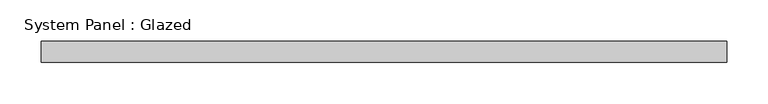
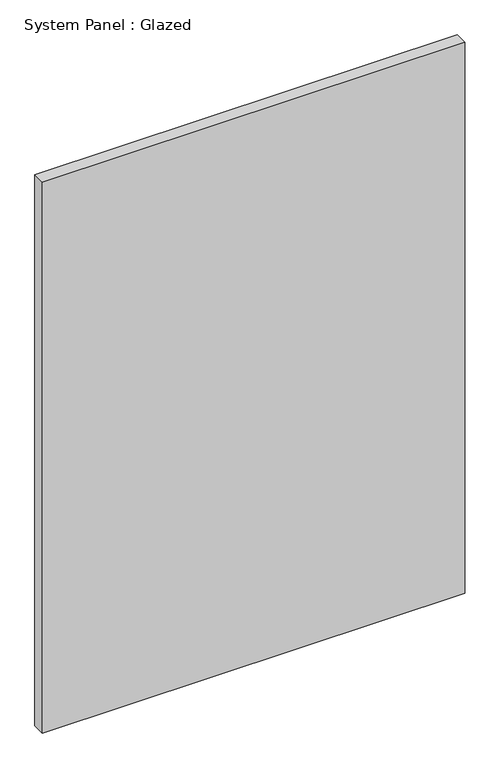
"""IFC4 building model written with IfcOpenShell, lengths in millimetres: plate geometry, System Panel : Glazed."""

from ifc_helpers import new_model, si_unit, origin, origin_with_axes, place, context, project, spatial, polyline, outline, extrude, source, transform, mapped, element, save


def system_panel_glazed_70088560(model_context):
    return source(origin(), model_context, "Body", "SweptSolid", [
        extrude(outline(polyline([(414.3073087, 25.4), (-414.3073087, 25.4), (-414.3073087, 50.8), (414.3073087, 50.8), (414.3073087, 25.4)])), origin_with_axes(), (0.0, 0.0, 1.0), 1143.0),
    ])


if __name__ == "__main__":
    model = new_model("IFC4")
    model_context = context("Model", 3, world=origin())
    ifc_project = project(units=[si_unit("LENGTHUNIT", "METRE", prefix="MILLI")], contexts=[model_context])
    site = spatial("IfcSite", under=ifc_project)
    building = spatial("IfcBuilding", under=site)
    placement = place(None, origin())
    system_panel_glazed_shape = system_panel_glazed_70088560(model_context)
    element("IfcPlate", 1, ObjectType="System Panel : Glazed", at=placement, inside=building, context=model_context, shape_type="MappedRepresentation", body=[
        mapped(system_panel_glazed_shape, transform((0.0, 0.0, 0.0), x_axis=(1.0, 0.0, 0.0), y_axis=(0.0, 1.0, 0.0), z_axis=(0.0, 0.0, 1.0))),
    ])
    save(model, "model.ifc")
